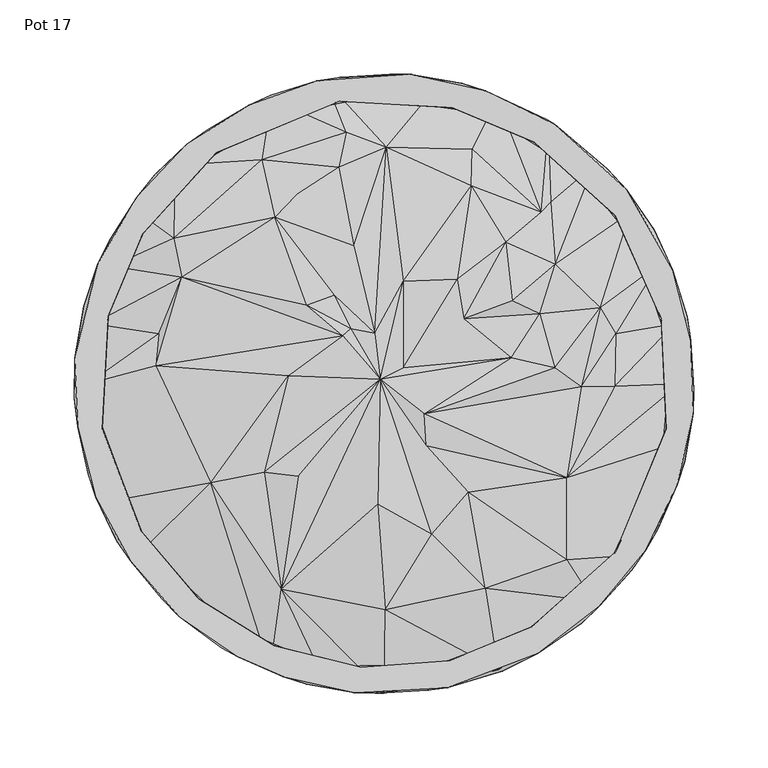
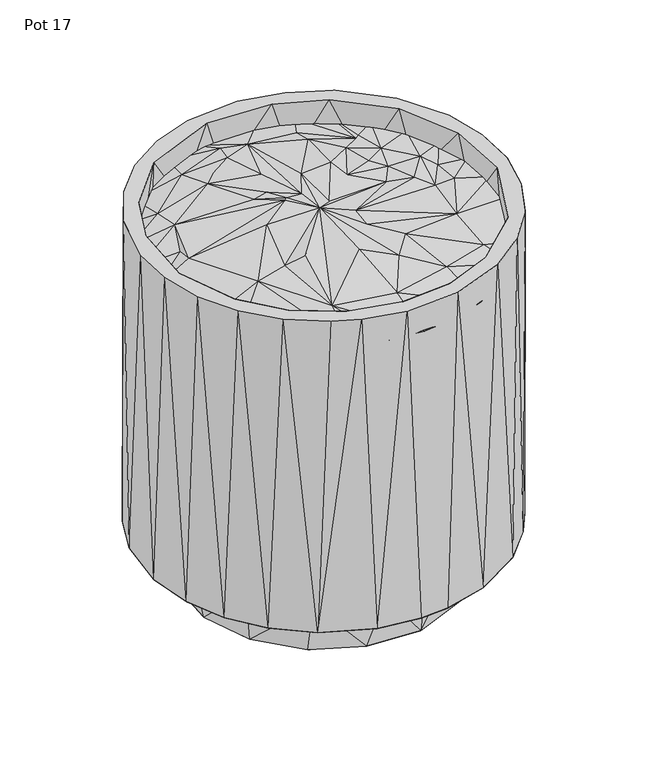
"""IFC4 building model written with IfcOpenShell, lengths in millimetres: furniture geometry, Pot 17."""

from ifc_helpers import new_model, si_unit, origin, place, context, project, spatial, triangles, source, transform, mapped, element, save


def pot_17_080f2b31(model_context):
    return source(origin(), model_context, "Body", "Tessellation", [
        triangles([(-109.6661077, -171.8009778, 416.9207726), (-76.4732391, -192.7861613, 418.8049235), (-166.2912306, -116.1960689, 418.9774057), (-139.6663205, -146.1290165, 416.9207726), (-38.6161794, -204.0359289, 418.1859933), (-69.1606995, -138.8338949, 432.9122383), (-116.7461897, -66.9217101, 437.2498369), (0.4460812, -208.8696273, 418.91669), (38.9428128, -202.6238058, 416.9207726), (77.2883874, -193.0177424, 419.0478956), (0.8163452, -152.7169683, 433.2741348), (110.3076928, -171.8008507, 416.9207726), (141.2477465, -146.9474713, 417.989966), (68.3014405, -138.1159882, 434.0188205), (-3.9610863, -81.6256681, 447.1714334), (-80.6355487, -59.7459535, 439.9334667), (-57.8427312, -62.6193155, 446.42613), (-2.5451183, 2.9368997, 447.9428252), (32.2675708, -101.7047296, 438.7574121), (123.3816132, -119.104367, 430.6631023), (56.8599696, -73.3122357, 440.4131613), (166.8631979, -115.784348, 418.7394479), (-184.3776629, -79.6298052, 418.4862293), (28.5422803, -42.1472729, 443.6097685), (123.4028328, -63.7710257, 436.3902964), (183.2225372, -79.1586312, 416.9207726), (195.9001973, -40.6943729, 418.1310548), (-154.0486821, 12.1182431, 431.334682), (-199.331038, -0.295125, 418.3355118), (-193.8467071, -40.4343552, 416.9207362), (-64.5389567, 5.1001685, 446.5299754), (27.3149002, -20.3911223, 448.2867359), (199.6855767, -0.187248, 418.093012), (133.1048024, -2.0867065, 432.1528733), (155.7583888, -1.9478574, 432.9818198), (85.8953021, 17.4735371, 440.7398129), (115.4837577, 10.6037893, 440.3278104), (-151.8592808, 33.5967774, 425.8158691), (-195.9366776, 40.4315301, 418.7007148), (-27.5542729, 32.093894, 448.3961042), (-136.4171547, 71.5321072, 431.5587962), (13.0825045, 10.5947589, 446.016562), (13.2415291, 68.9334105, 445.3250708), (-22.3646164, 37.0732095, 446.73287), (-6.2372686, 33.8610123, 447.9328331), (53.8961879, 43.8219845, 444.8320413), (49.7033615, 70.2764699, 446.5599881), (105.3831569, 47.162669, 435.6977514), (145.9305275, 51.2335961, 431.6692909), (156.3608593, 33.5970159, 427.7678939), (196.2292106, 40.4533674, 418.4154851), (-183.7201086, 79.1756269, 417.9251081), (-52.1595479, 52.9029391, 445.9716883), (-33.4813593, 59.6867683, 444.0579969), (-73.5647684, 112.3123942, 436.8445201), (1.4810563, 159.3045386, 432.2698357), (-20.4184053, 93.0538495, 442.1088063), (86.7774521, 55.9163907, 444.2727731), (82.2660905, 95.1534943, 438.3939168), (115.6527972, 80.3327692, 435.0268258), (184.5769967, 79.4156649, 418.1682618), (166.1818078, 115.2445554, 418.1510754), (-141.8690658, 98.0761901, 431.2334527), (-164.9014898, 114.8942225, 417.5347249), (59.010506, 133.5232543, 434.1673216), (106.2736549, 115.6147272, 429.5549941), (112.5316577, 122.1978101, 427.0835243), (141.5870154, 146.9639583, 418.4009874), (-141.2305873, 147.2453728, 418.7474416), (-82.3090112, 150.946019, 427.9984394), (-58.9206223, 127.3977743, 435.3480635), (-30.5399895, 145.842942, 434.1807292), (111.0165158, 172.6006565, 418.070012), (59.6630552, 158.1845488, 427.193801), (76.7199991, 191.9465142, 418.2559745), (-76.1151305, 191.9322345, 418.2559745), (-109.6663439, 171.4768697, 416.9207362), (-25.4747873, 169.5557297, 430.1559385), (39.2165198, 204.3860165, 418.7553626), (-38.6877049, 203.5125415, 418.0285174), (0.320673, 206.2664432, 416.9207362)], [[1, 2, 3], [1, 3, 4], [2, 5, 6], [2, 6, 7], [2, 7, 3], [5, 8, 6], [8, 9, 10], [8, 10, 11], [8, 11, 6], [10, 12, 13], [10, 14, 11], [10, 13, 14], [6, 11, 15], [6, 16, 7], [6, 17, 16], [6, 15, 18], [6, 18, 17], [11, 14, 19], [11, 19, 15], [14, 13, 20], [14, 20, 21], [14, 21, 19], [13, 22, 20], [3, 7, 23], [19, 21, 24], [19, 24, 18], [19, 18, 15], [20, 22, 25], [20, 25, 21], [22, 26, 27], [22, 27, 25], [23, 7, 28], [23, 29, 30], [23, 28, 29], [7, 16, 31], [7, 31, 28], [16, 17, 18], [16, 18, 31], [21, 25, 24], [25, 32, 24], [25, 27, 33], [25, 34, 32], [25, 35, 34], [25, 33, 35], [32, 18, 24], [32, 36, 18], [32, 37, 36], [32, 34, 37], [29, 28, 38], [29, 38, 39], [28, 40, 41], [28, 31, 40], [28, 41, 38], [31, 18, 40], [18, 42, 43], [18, 36, 42], [18, 44, 40], [18, 45, 44], [18, 43, 45], [42, 36, 46], [42, 46, 47], [42, 47, 43], [36, 37, 48], [36, 48, 46], [37, 34, 49], [37, 49, 48], [34, 35, 50], [34, 50, 49], [35, 33, 51], [35, 51, 50], [39, 38, 41], [39, 41, 52], [53, 40, 44], [53, 44, 54], [53, 41, 40], [53, 54, 55], [53, 55, 41], [44, 45, 54], [45, 43, 56], [45, 57, 54], [45, 56, 57], [46, 48, 58], [46, 58, 59], [46, 59, 47], [48, 49, 60], [48, 60, 58], [49, 50, 61], [49, 61, 62], [49, 62, 60], [50, 51, 61], [52, 41, 63], [52, 63, 64], [41, 55, 63], [54, 57, 55], [43, 47, 65], [43, 65, 56], [47, 59, 65], [58, 60, 59], [60, 66, 59], [60, 67, 66], [60, 62, 68], [60, 68, 67], [64, 63, 69], [63, 55, 70], [63, 70, 69], [55, 71, 70], [55, 57, 71], [71, 57, 72], [71, 72, 70], [57, 56, 72], [59, 66, 65], [66, 67, 73], [66, 74, 65], [66, 75, 74], [66, 73, 75], [67, 68, 73], [69, 70, 76], [69, 76, 77], [70, 72, 78], [70, 78, 76], [72, 56, 78], [56, 65, 74], [56, 74, 79], [56, 80, 78], [56, 79, 80], [74, 75, 79], [76, 78, 80], [80, 79, 81]], closed=False),
        triangles([(39.2093663, -188.0012426, 375.6417151), (-15.720367, -191.3784529, 450.9338854), (44.1534505, -186.9765595, 450.9337037), (95.3516926, -166.7904189, 375.6417151), (-105.0035925, -160.4828642, 375.6418605), (-159.7623776, -107.5827592, 375.6417151), (-125.0507791, -145.4308941, 450.9338854), (-74.0246786, -177.0627025, 450.9337764), (99.7366902, -164.2885549, 450.9337764), (151.9515535, -119.2152341, 375.6417515), (-191.0827224, -23.1970261, 375.6418605), (-190.1364321, -30.4474307, 450.9286531), (-163.806444, -99.5779153, 450.933849), (156.4090213, -113.4194396, 450.9286531), (185.3415939, -50.7897596, 375.6418605), (190.7281837, -30.5529452, 450.9889329), (191.7257246, 22.8776643, 375.6418605), (-184.7009717, 50.4646477, 375.6417151), (-186.0325401, 45.5956271, 450.933849), (187.1349801, 43.6730292, 450.933849), (166.9485487, 94.870263, 375.6417151), (-160.0015164, 105.1616225, 375.6417515), (-162.7724228, 100.9413586, 450.9336674), (-119.6067346, 149.5497561, 375.6417515), (-113.131285, 155.7861487, 450.9285805), (156.2676418, 113.2909682, 450.9285805), (129.4281464, 141.708883, 375.6416788), (-67.4736522, 179.2819166, 375.6417515), (101.4227882, 162.9316973, 450.9338854), (66.6906831, 180.8377264, 375.6418605), (-8.7046621, 191.4487793, 375.6417151), (-29.9675454, 190.2948526, 450.9284351), (46.0774882, 186.191324, 450.9337037), (-97.8424562, -184.6472867, 450.9484921), (-138.4136717, -156.9537555, 450.9765427), (-67.7282833, -197.7517376, 450.9479834), (-19.7572697, -208.5551661, 450.9765063), (42.8225996, -205.3668796, 450.9571398), (104.1543438, -182.1896788, 450.9572851), (145.4808729, -150.4977633, 450.9482377), (-170.8729277, -120.0171565, 450.9481287), (176.8848972, -112.6600656, 450.976688), (-194.4754114, -76.8785287, 450.976688), (197.9103035, -68.210812, 450.9482014), (-206.6164036, -29.2816906, 450.9484921), (208.713296, -20.2420716, 450.9765427), (-208.5328019, 17.0390603, 450.9571034), (207.2677629, 28.9100926, 450.9481287), (-192.9948332, 80.7387219, 450.9570308), (195.1155613, 76.5573546, 450.9765427), (-166.5706648, 125.6154885, 450.9479834), (163.8631811, 130.8706001, 450.9571398), (-132.8377765, 161.3929467, 450.9763247), (-91.2785491, 187.6734283, 450.9480197), (-44.9807664, 204.2370067, 450.9765063), (115.3688392, 174.9939697, 450.9572851), (17.522335, 208.691822, 450.9571398), (68.3696277, 197.4282108, 450.9482014), (-93.394045, -129.8532748, 0.0649674), (-37.4121673, -154.84351, 0.2997074), (-89.1497092, -134.3211798, 56.7438248), (-135.7004652, -82.895894, 0.0031238), (25.5999568, -158.1963758, 0.0045768), (-16.8964864, -158.5682645, 56.747867), (94.5904291, -129.4958112, 0.0215695), (79.5006797, -138.435182, 56.747867), (32.8953259, -156.1359638, 56.7479261), (149.4114379, -61.3523552, 0.0032502), (118.3533681, -107.2004606, 56.7477399), (-137.9520901, -79.3434945, 56.7476127), (-157.684325, -25.4342488, 0.4171405), (-154.3488454, 37.5403389, 0.058903), (-129.2731776, 93.6675839, 0.0141154), (94.1481596, 129.4330334, 0.0065982), (136.3468193, 82.5482135, 0.0589662), (158.323294, 25.1160337, 0.416193), (160.358435, -5.87631, 56.7459049), (145.6530099, -65.4874726, 56.7477989), (-160.8059368, -6.6371113, 56.7436295), (-145.0121424, 65.1634416, 56.7475491), (149.2786426, 56.4108963, 56.7476127), (117.5229592, 108.958511, 56.7458413), (-117.7120192, 106.8768248, 56.7476127), (-72.5414751, 142.2997898, 0.4168879), (12.3295788, 160.5086984, 0.0931412), (-78.8600484, 138.1112919, 56.7474855), (-32.2546968, 155.81211, 56.7474855), (17.5371166, 158.244556, 56.7474265), (65.6464109, 145.1705993, 56.7474265), (-109.8237016, -178.4420332, 56.8371875), (-150.0153527, -145.3221708, 56.8402169), (-52.1104321, -202.8486104, 56.8302975), (-3.3392907, -209.1093292, 56.8404713), (29.4413556, -207.09846, 56.8404713), (79.810381, -194.0610653, 56.8370649), (133.4788802, -161.716092, 56.8302384), (-180.0744554, -106.4093752, 56.8299841), (167.2110509, -125.9389516, 56.8402851), (184.8525976, -98.236709, 56.8402169), (-199.5310803, -61.2495545, 56.8400898), (203.0072126, -52.5925611, 56.8301749), (-209.0070281, -10.0389494, 56.8370013), (209.2676226, -3.8218274, 56.8400898), (-202.3658818, 52.2696747, 56.8299841), (204.7185907, 45.1391416, 56.8299841), (-184.1917005, 97.9590461, 56.8400898), (182.3484808, 103.6711793, 56.8369377), (-154.6812016, 140.8701805, 56.8369377), (110.4648144, 178.1179978, 56.8366788), (150.6567016, 144.9982716, 56.8402851), (-119.4913347, 171.0569826, 56.8398445), (-76.3981347, 194.6331053, 56.8297979), (-28.7513723, 206.7855248, 56.8400898), (4.0307045, 208.7806247, 56.8398445), (52.751781, 202.5246476, 56.8298615), (-36.9169713, -189.3155519, 375.6418605)], [[1, 2, 3], [1, 3, 4], [5, 6, 7], [5, 7, 8], [4, 3, 9], [4, 9, 10], [6, 11, 12], [6, 13, 7], [6, 12, 13], [10, 9, 14], [10, 14, 15], [15, 14, 16], [15, 16, 17], [11, 18, 19], [11, 19, 12], [17, 20, 21], [17, 16, 20], [18, 22, 23], [18, 23, 19], [22, 24, 25], [22, 25, 23], [21, 20, 26], [21, 26, 27], [24, 28, 25], [27, 26, 29], [27, 29, 30], [28, 31, 32], [28, 32, 25], [31, 30, 33], [31, 33, 32], [30, 29, 33], [34, 8, 35], [34, 36, 8], [8, 36, 2], [8, 7, 35], [36, 37, 2], [37, 38, 3], [37, 3, 2], [38, 39, 9], [38, 9, 3], [39, 40, 14], [39, 14, 9], [35, 7, 41], [7, 13, 41], [40, 42, 14], [41, 13, 43], [13, 12, 43], [14, 42, 16], [42, 44, 16], [43, 12, 45], [44, 46, 16], [45, 12, 47], [12, 19, 47], [16, 46, 20], [46, 48, 20], [47, 19, 49], [48, 50, 20], [49, 19, 23], [49, 23, 51], [20, 50, 26], [50, 52, 26], [23, 53, 51], [23, 25, 53], [26, 52, 29], [53, 25, 54], [25, 55, 54], [25, 32, 55], [29, 52, 56], [29, 56, 33], [55, 32, 57], [32, 33, 57], [57, 33, 58], [33, 56, 58], [59, 60, 61], [59, 61, 62], [59, 63, 60], [59, 62, 63], [60, 63, 64], [60, 64, 61], [63, 65, 66], [63, 67, 64], [63, 66, 67], [63, 62, 68], [63, 68, 65], [65, 68, 69], [65, 69, 66], [62, 61, 70], [62, 70, 71], [62, 71, 72], [62, 72, 73], [62, 73, 74], [62, 74, 68], [68, 75, 76], [68, 74, 75], [68, 76, 77], [68, 78, 69], [68, 77, 78], [71, 70, 79], [71, 79, 72], [72, 79, 80], [72, 80, 73], [76, 75, 81], [76, 81, 77], [75, 74, 82], [75, 82, 81], [73, 80, 83], [73, 83, 84], [73, 84, 85], [73, 85, 74], [84, 83, 86], [84, 86, 87], [84, 87, 85], [85, 87, 88], [85, 88, 89], [85, 89, 74], [74, 89, 82], [90, 91, 61], [90, 61, 92], [90, 92, 36], [90, 34, 35], [90, 36, 34], [90, 35, 91], [92, 61, 64], [92, 64, 93], [92, 93, 37], [92, 37, 36], [93, 64, 94], [93, 94, 38], [93, 38, 37], [94, 64, 67], [94, 67, 95], [94, 95, 38], [95, 67, 66], [95, 66, 96], [95, 96, 39], [95, 39, 38], [91, 97, 70], [91, 70, 61], [91, 35, 41], [91, 41, 97], [66, 69, 96], [96, 98, 40], [96, 40, 39], [96, 69, 98], [98, 99, 42], [98, 42, 40], [98, 69, 99], [97, 100, 79], [97, 79, 70], [97, 41, 43], [97, 43, 100], [69, 78, 99], [99, 101, 44], [99, 44, 42], [99, 78, 101], [100, 102, 79], [100, 43, 45], [100, 45, 102], [78, 77, 101], [101, 77, 103], [101, 103, 46], [101, 46, 44], [102, 104, 79], [102, 45, 47], [102, 47, 104], [79, 104, 80], [77, 81, 105], [77, 105, 103], [103, 105, 48], [103, 48, 46], [104, 47, 49], [104, 49, 106], [104, 106, 80], [80, 106, 83], [81, 82, 107], [81, 107, 105], [105, 107, 50], [105, 50, 48], [106, 49, 51], [106, 51, 108], [106, 108, 83], [83, 108, 86], [82, 89, 109], [82, 110, 107], [82, 109, 110], [107, 110, 52], [107, 52, 50], [108, 51, 53], [108, 53, 111], [108, 111, 86], [86, 111, 112], [86, 112, 87], [87, 112, 113], [87, 113, 88], [88, 113, 114], [88, 114, 115], [88, 115, 89], [89, 115, 109], [110, 109, 56], [110, 56, 52], [111, 53, 54], [111, 54, 112], [112, 54, 55], [112, 55, 113], [113, 55, 57], [113, 57, 114], [114, 57, 115], [115, 57, 58], [115, 58, 109], [109, 58, 56], [116, 5, 8], [116, 8, 2], [116, 2, 1]], closed=False),
    ])


if __name__ == "__main__":
    model = new_model("IFC4")
    model_context = context("Model", 3, world=origin())
    ifc_project = project(units=[si_unit("LENGTHUNIT", "METRE", prefix="MILLI")], contexts=[model_context])
    site = spatial("IfcSite", under=ifc_project)
    building = spatial("IfcBuilding", under=site)
    placement = place(None, origin())
    pot_17_shape = pot_17_080f2b31(model_context)
    element("IfcFurniture", 1, ObjectType="Pot 17", at=placement, inside=building, context=model_context, shape_type="MappedRepresentation", body=[
        mapped(pot_17_shape, transform((0.0, 0.0, 0.0), x_axis=(1.0, 0.0, 0.0), y_axis=(0.0, 1.0, 0.0), z_axis=(0.0, 0.0, 1.0))),
    ])
    save(model, "model.ifc")
